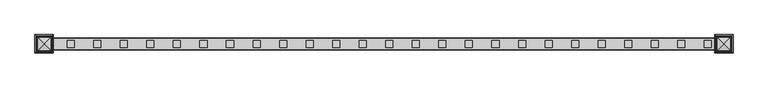
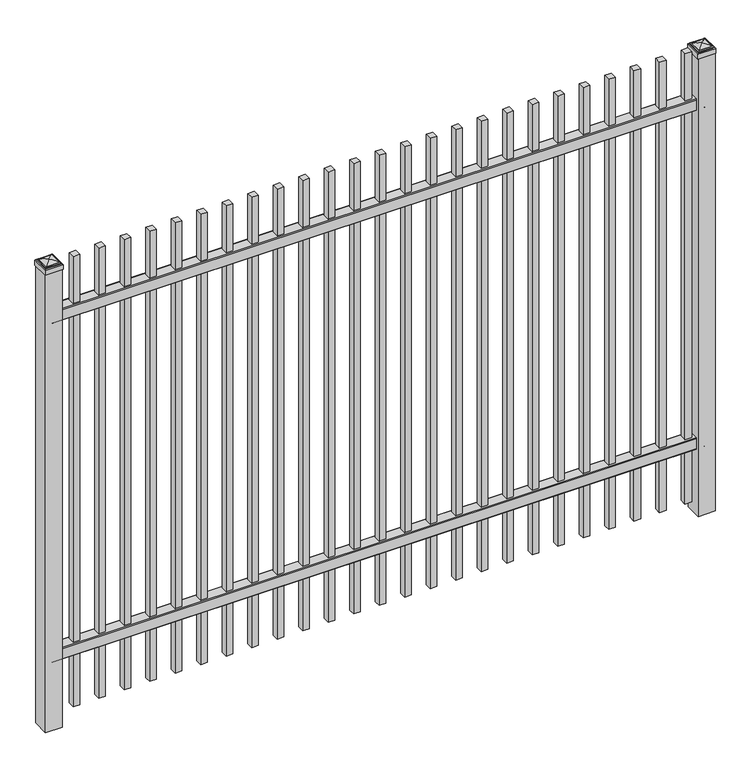
"""IFC4 building model written with IfcOpenShell, lengths in millimetres: railing geometry."""

import ifcopenshell
import ifcopenshell.guid

model = None  # the IFC model being written
_history = None  # IfcOwnerHistory: only IFC2X3 demands one
_inside = {}  # id of a spatial element -> (the spatial element, [elements in it])
_under = {}  # id of a project, library or spatial element -> (it, [spatial elements below it])
_declared = {}  # id of a project -> (the project, [libraries it declares])
_typed = {}  # id of a type object -> (the type object, [elements of that type])
_made_of = {}  # id of a material, layer set ... -> (it, [elements and type objects made of it])


def new_model(schema):
    """Start an empty IFC model of exactly this schema.

    Asked for "IFC4X3", IfcOpenShell would pick the latest addendum, in which some entities
    have other attributes; the version numbers below select the first issue.
    IFC2X3 requires an IfcOwnerHistory on every rooted entity: one is made here for all.
    """
    global model, _history
    if schema == "IFC4X3":
        model = ifcopenshell.file(schema_version=(4, 3, 0, 0))
    else:
        model = ifcopenshell.file(schema=schema)
    _inside.clear()
    _under.clear()
    _declared.clear()
    _typed.clear()
    _made_of.clear()
    _history = None
    if model.schema == "IFC2X3":
        org = make("IfcOrganization", Name="unknown")
        user = make(
            "IfcPersonAndOrganization",
            ThePerson=make("IfcPerson", FamilyName="unknown"),
            TheOrganization=org,
        )
        app = make(
            "IfcApplication",
            ApplicationDeveloper=org,
            Version="unknown",
            ApplicationFullName="unknown",
            ApplicationIdentifier="unknown",
        )
        _history = make(
            "IfcOwnerHistory",
            OwningUser=user,
            OwningApplication=app,
            ChangeAction="ADDED",
            CreationDate=0,
        )
    return model


def make(cls, **values):
    """One entity of the class cls with the attributes given. An attribute that is None is left unset."""
    return model.create_entity(
        cls, **{name: value for name, value in values.items() if value is not None}
    )


def rooted(cls, **values):
    """An entity with a GlobalId (a new one), such as an element, a storey or a relation."""
    return make(cls, GlobalId=ifcopenshell.guid.new(), OwnerHistory=_history, **values)


def si_unit(unit_type, name, prefix=None):
    """IfcSIUnit, for example si_unit("LENGTHUNIT", "METRE", prefix="MILLI")."""
    return make("IfcSIUnit", UnitType=unit_type, Prefix=prefix, Name=name)


def assignment(units):
    """IfcUnitAssignment: the units of a project."""
    return None if units is None else make("IfcUnitAssignment", Units=units)


def point(xyz):
    """IfcCartesianPoint."""
    return None if xyz is None else make("IfcCartesianPoint", Coordinates=xyz)


def direction(xyz):
    """IfcDirection."""
    return None if xyz is None else make("IfcDirection", DirectionRatios=xyz)


def frame(location, z_axis=None, x_axis=None):
    """IfcAxis2Placement3D, a coordinate frame: its origin and axes. An axis left out is left unset."""
    return make(
        "IfcAxis2Placement3D",
        Location=point(location),
        Axis=direction(z_axis),
        RefDirection=direction(x_axis),
    )


def frame_2d(location, x_axis=None):
    """IfcAxis2Placement2D, a coordinate frame in the plane: its origin and x axis."""
    return make(
        "IfcAxis2Placement2D", Location=point(location), RefDirection=direction(x_axis)
    )


def origin():
    """The frame at (0, 0, 0) with its axes left unset."""
    return frame((0.0, 0.0, 0.0))


def origin_with_axes():
    """The frame at (0, 0, 0) with the z axis (0, 0, 1) and the x axis (1, 0, 0) written out."""
    return frame((0.0, 0.0, 0.0), z_axis=(0.0, 0.0, 1.0), x_axis=(1.0, 0.0, 0.0))


def place(relative_to, where):
    """IfcLocalPlacement: puts the frame where relative to a parent placement (None: the world)."""
    return make(
        "IfcLocalPlacement", PlacementRelTo=relative_to, RelativePlacement=where
    )


def context(
    kind, dimensions, precision=None, world=None, true_north=None, identifier=None
):
    """IfcGeometricRepresentationContext, for example the 3D "Model" context."""
    return make(
        "IfcGeometricRepresentationContext",
        ContextIdentifier=identifier,
        ContextType=kind,
        CoordinateSpaceDimension=dimensions,
        Precision=precision,
        WorldCoordinateSystem=world,
        TrueNorth=true_north,
    )


def project(units=None, contexts=None):
    """IfcProject with its units and contexts."""
    return rooted(
        "IfcProject",
        Name="project",
        RepresentationContexts=contexts,
        UnitsInContext=assignment(units),
    )


def spatial(cls, under=None, at=None, **own):
    """A site, building, storey or space (cls), placed at a placement, below another one or the project."""
    s = rooted(cls, ObjectPlacement=at, **own)
    if under is not None:
        _under.setdefault(under.id(), (under, []))[1].append(s)
    return s


def polyline(points):
    """IfcPolyline through the points."""
    return make("IfcPolyline", Points=[point(p) for p in points])


def circle_curve(where, radius):
    """IfcCircle in the frame where."""
    return make("IfcCircle", Position=where, Radius=radius)


def ellipse_curve(where, semi_axis1, semi_axis2):
    """IfcEllipse in the frame where."""
    return make(
        "IfcEllipse", Position=where, SemiAxis1=semi_axis1, SemiAxis2=semi_axis2
    )


def trimmed(basis, trim1, trim2, sense, master):
    """IfcTrimmedCurve: the piece of a basis curve between two trims."""
    return make(
        "IfcTrimmedCurve",
        BasisCurve=basis,
        Trim1=trim1,
        Trim2=trim2,
        SenseAgreement=sense,
        MasterRepresentation=master,
    )


def segment(curve, same_sense, transition):
    """IfcCompositeCurveSegment."""
    return make(
        "IfcCompositeCurveSegment",
        Transition=transition,
        SameSense=same_sense,
        ParentCurve=curve,
    )


def composite_curve(segments, self_intersect=None):
    """IfcCompositeCurve: segments joined end to end."""
    return make("IfcCompositeCurve", Segments=segments, SelfIntersect=self_intersect)


def outline(outer, holes=None, kind="AREA"):
    """IfcArbitraryClosedProfileDef: a profile drawn as a closed curve; with holes, ...WithVoids."""
    if holes is None:
        return make("IfcArbitraryClosedProfileDef", ProfileType=kind, OuterCurve=outer)
    return make(
        "IfcArbitraryProfileDefWithVoids",
        ProfileType=kind,
        OuterCurve=outer,
        InnerCurves=holes,
    )


def extrude(swept, where, along, depth):
    """IfcExtrudedAreaSolid: the profile swept, set in the frame where, extruded along a direction by depth."""
    return make(
        "IfcExtrudedAreaSolid",
        SweptArea=swept,
        Position=where,
        ExtrudedDirection=direction(along),
        Depth=depth,
    )


def shape(context_of_items, identifier, shape_type, items):
    """IfcShapeRepresentation: the items that make up one representation, for example the "Body"."""
    return make(
        "IfcShapeRepresentation",
        ContextOfItems=context_of_items,
        RepresentationIdentifier=identifier,
        RepresentationType=shape_type,
        Items=items,
    )


def source(mapping_origin, context_of_items, identifier, shape_type, items):
    """IfcRepresentationMap: a shape defined once, which mapped items show again and again."""
    return make(
        "IfcRepresentationMap",
        MappingOrigin=mapping_origin,
        MappedRepresentation=shape(context_of_items, identifier, shape_type, items),
    )


def transform(
    local_origin,
    x_axis=None,
    y_axis=None,
    z_axis=None,
    scale=None,
    scale2=None,
    scale3=None,
    uniform=True,
):
    """IfcCartesianTransformationOperator3D, or its non-uniform kind. x_axis, y_axis, z_axis: its Axis1, 2, 3."""
    if uniform:
        return make(
            "IfcCartesianTransformationOperator3D",
            Axis1=direction(x_axis),
            Axis2=direction(y_axis),
            LocalOrigin=point(local_origin),
            Scale=scale,
            Axis3=direction(z_axis),
        )
    return make(
        "IfcCartesianTransformationOperator3DnonUniform",
        Axis1=direction(x_axis),
        Axis2=direction(y_axis),
        LocalOrigin=point(local_origin),
        Scale=scale,
        Axis3=direction(z_axis),
        Scale2=scale2,
        Scale3=scale3,
    )


def mapped(mapping_source, mapping_target):
    """IfcMappedItem: shows the shape of a source again, moved by a transform."""
    return make(
        "IfcMappedItem", MappingSource=mapping_source, MappingTarget=mapping_target
    )


def made_of(thing, what):
    """Note that an element or type object is made of a material, layer set ...; save() writes the relation."""
    if what is not None:
        _made_of.setdefault(what.id(), (what, []))[1].append(thing)
    return thing


def element(
    cls,
    number,
    at=None,
    inside=None,
    cuts=None,
    type_object=None,
    material=None,
    context=None,
    identifier="Body",
    shape_type=None,
    held_by="IfcProductDefinitionShape",
    body=None,
    shapes=None,
    **own,
):
    """One element of the class cls, such as IfcWall. Its Tag is "e" and its number.

    at: its placement. inside: the storey or other place that contains it. cuts: it is an
    opening in that element (IfcRelVoidsElement). A single representation is given by context,
    identifier, shape_type and body (its items); several are given by shapes. held_by: the class
    of the entity that holds the representations. save() writes the other relations.
    """
    e = rooted(cls, Tag="e%d" % number, ObjectPlacement=at, **own)
    if body is not None:
        shapes = [shape(context, identifier, shape_type, body)]
    if shapes is not None:
        e.Representation = make(held_by, Representations=shapes)
    if inside is not None:
        _inside.setdefault(inside.id(), (inside, []))[1].append(e)
    if cuts is not None:
        rooted(
            "IfcRelVoidsElement", RelatingBuildingElement=cuts, RelatedOpeningElement=e
        )
    if type_object is not None:
        _typed.setdefault(type_object.id(), (type_object, []))[1].append(e)
    return made_of(e, material)


def aggregate(whole, parts):
    """IfcRelAggregates: a whole, such as a stair, and the parts it consists of."""
    return rooted("IfcRelAggregates", RelatingObject=whole, RelatedObjects=parts)


def save(model, path):
    """Write the relations noted so far, then the file.

    IfcRelAggregates (storeys below a building ...), IfcRelContainedInSpatialStructure (elements
    in a storey), IfcRelDefinesByType, IfcRelAssociatesMaterial and IfcRelDeclares: one each for
    every whole, place, type object, material and project.
    """
    for whole, parts in _under.values():
        aggregate(whole, parts)
    for where, things in _inside.values():
        rooted(
            "IfcRelContainedInSpatialStructure",
            RelatedElements=things,
            RelatingStructure=where,
        )
    for kind, things in _typed.values():
        rooted("IfcRelDefinesByType", RelatedObjects=things, RelatingType=kind)
    for what, things in _made_of.values():
        rooted("IfcRelAssociatesMaterial", RelatedObjects=things, RelatingMaterial=what)
    for by, libraries in _declared.values():
        rooted("IfcRelDeclares", RelatingContext=by, RelatedDefinitions=libraries)
    model.write(path)


def plane_surface(at):
    """IfcPlane: the flat surface through the origin of the frame at, square to its z axis."""
    return make("IfcPlane", Position=at)


def cylinder_surface(at, radius):
    """IfcCylindricalSurface: all points at the distance radius from the z axis of the frame at."""
    return make("IfcCylindricalSurface", Position=at, Radius=radius)


def advanced_brep(points, edges, surfaces, faces):
    """IfcAdvancedBrep: a solid bounded by faces that lie on surfaces and meet in shared edges.

    An edge is (start, end): straight between two places in points (the first is 0);
    or (start, end, curve); or (start, end, curve, False) where it runs against its curve.
    A face is (place in surfaces, loops), or (place, loops, False) where it looks against
    its surface's normal. A loop lists edges by number (the first is 1), with a minus sign
    where the edge is run from its end to its start. The first loop is the outer one.
    """
    corners = [point(p) for p in points]
    vertices = [make("IfcVertexPoint", VertexGeometry=c) for c in corners]
    made = []
    for start, end, *more in edges:
        made.append(
            make(
                "IfcEdgeCurve",
                EdgeStart=vertices[start],
                EdgeEnd=vertices[end],
                EdgeGeometry=more[0] if more else make("IfcPolyline", Points=[corners[start], corners[end]]),
                SameSense=more[1] if len(more) > 1 else True,
            )
        )
    hull = []
    for where, loops, *sense in faces:
        bounds = []
        for j, loop in enumerate(loops):
            ring = [make("IfcOrientedEdge", EdgeElement=made[abs(k) - 1], Orientation=k > 0) for k in loop]
            bounds.append(
                make(
                    "IfcFaceOuterBound" if j == 0 else "IfcFaceBound",
                    Bound=make("IfcEdgeLoop", EdgeList=ring),
                    Orientation=True,
                )
            )
        hull.append(make("IfcAdvancedFace", Bounds=bounds, FaceSurface=surfaces[where], SameSense=sense[0] if sense else True))
    return make("IfcAdvancedBrep", Outer=make("IfcClosedShell", CfsFaces=hull))


def railing_3c9d7bd0(model_context):
    return source(origin(), model_context, "Body", "SolidModel", [
        extrude(outline(composite_curve([segment(polyline([(10349.9139761, 304.8), (10387.969541, 304.8)]), True, "CONTINUOUS"), segment(trimmed(circle_curve(frame_2d((10387.969541, 301.625)), 3.175), [point((10387.969541, 304.8))], [point((10391.144541, 301.625))], False, "CARTESIAN"), True, "CONTINUOUS"), segment(polyline([(10391.144541, 301.625), (10391.144541, 262.1439893)]), True, "CONTINUOUS"), segment(trimmed(circle_curve(frame_2d((10389.3505518, 262.1439893)), 1.7939893), [point((10391.144541, 262.1439893))], [point((10389.3505518, 260.35))], False, "CARTESIAN"), True, "CONTINUOUS"), segment(polyline([(10389.3505518, 260.35), (10386.7590713, 260.35)]), True, "CONTINUOUS"), segment(trimmed(circle_curve(frame_2d((10386.7590713, 262.1359375)), 1.7859375), [point((10386.7590713, 260.35))], [point((10384.9755813, 262.0424688))], False, "CARTESIAN"), True, "CONTINUOUS"), segment(polyline([(10384.9755813, 262.0424688), (10383.4025867, 292.0569942), (10354.4364954, 292.0569942), (10352.8635007, 262.0424688)]), True, "CONTINUOUS"), segment(trimmed(circle_curve(frame_2d((10351.0800108, 262.1359375)), 1.7859375), [point((10352.8635007, 262.0424688))], [point((10351.0800108, 260.35))], False, "CARTESIAN"), True, "CONTINUOUS"), segment(polyline([(10351.0800108, 260.35), (10348.4804785, 260.35)]), True, "CONTINUOUS"), segment(trimmed(circle_curve(frame_2d((10348.4804785, 262.1359375)), 1.7859375), [point((10348.4804785, 260.35))], [point((10346.694541, 262.1359375))], False, "CARTESIAN"), True, "CONTINUOUS"), segment(polyline([(10346.694541, 262.1359375), (10346.694541, 301.5805649)]), True, "CONTINUOUS"), segment(trimmed(circle_curve(frame_2d((10349.9139761, 301.5805649)), 3.2194351), [point((10346.694541, 301.5805649))], [point((10349.9139761, 304.8))], False, "CARTESIAN"), True, "CONTINUOUS")], self_intersect=False)), frame((2341.3350064, 0.0, 0.0), z_axis=(1.0, 0.0, 0.0), x_axis=(0.0, 1.0, 0.0)), (0.0, 0.0, 1.0), 2438.4),
        extrude(outline(composite_curve([segment(polyline([(10349.9139761, 1643.0625), (10387.969541, 1643.0625)]), True, "CONTINUOUS"), segment(trimmed(circle_curve(frame_2d((10387.969541, 1639.8875)), 3.175), [point((10387.969541, 1643.0625))], [point((10391.144541, 1639.8875))], False, "CARTESIAN"), True, "CONTINUOUS"), segment(polyline([(10391.144541, 1639.8875), (10391.144541, 1600.4064893)]), True, "CONTINUOUS"), segment(trimmed(circle_curve(frame_2d((10389.3505518, 1600.4064893)), 1.7939893), [point((10391.144541, 1600.4064893))], [point((10389.3505518, 1598.6125))], False, "CARTESIAN"), True, "CONTINUOUS"), segment(polyline([(10389.3505518, 1598.6125), (10386.7590713, 1598.6125)]), True, "CONTINUOUS"), segment(trimmed(circle_curve(frame_2d((10386.7590713, 1600.3984375)), 1.7859375), [point((10386.7590713, 1598.6125))], [point((10384.9755813, 1600.3049688))], False, "CARTESIAN"), True, "CONTINUOUS"), segment(polyline([(10384.9755813, 1600.3049688), (10383.4025867, 1630.3194942), (10354.4364954, 1630.3194942), (10352.8635007, 1600.3049688)]), True, "CONTINUOUS"), segment(trimmed(circle_curve(frame_2d((10351.0800108, 1600.3984375)), 1.7859375), [point((10352.8635007, 1600.3049688))], [point((10351.0800108, 1598.6125))], False, "CARTESIAN"), True, "CONTINUOUS"), segment(polyline([(10351.0800108, 1598.6125), (10348.4804785, 1598.6125)]), True, "CONTINUOUS"), segment(trimmed(circle_curve(frame_2d((10348.4804785, 1600.3984375)), 1.7859375), [point((10348.4804785, 1598.6125))], [point((10346.694541, 1600.3984375))], False, "CARTESIAN"), True, "CONTINUOUS"), segment(polyline([(10346.694541, 1600.3984375), (10346.694541, 1639.8430649)]), True, "CONTINUOUS"), segment(trimmed(circle_curve(frame_2d((10349.9139761, 1639.8430649)), 3.2194351), [point((10346.694541, 1639.8430649))], [point((10349.9139761, 1643.0625))], False, "CARTESIAN"), True, "CONTINUOUS")], self_intersect=False)), frame((2341.3350064, 0.0, 0.0), z_axis=(1.0, 0.0, 0.0), x_axis=(0.0, 1.0, 0.0)), (0.0, 0.0, 1.0), 2438.4),
        extrude(outline(polyline([(4709.8850064, 10381.619541), (4735.2850064, 10381.619541), (4735.2850064, 10356.219541), (4709.8850064, 10356.219541), (4709.8850064, 10381.619541)])), frame((0.0, 0.0, 50.8), z_axis=(0.0, 0.0, 1.0), x_axis=(1.0, 0.0, 0.0)), (0.0, 0.0, 1.0), 1778.0),
        extrude(outline(polyline([(4614.6350064, 10381.619541), (4640.0350064, 10381.619541), (4640.0350064, 10356.219541), (4614.6350064, 10356.219541), (4614.6350064, 10381.619541)])), frame((0.0, 0.0, 50.8), z_axis=(0.0, 0.0, 1.0), x_axis=(1.0, 0.0, 0.0)), (0.0, 0.0, 1.0), 1778.0),
        extrude(outline(polyline([(4519.3850064, 10381.619541), (4544.7850064, 10381.619541), (4544.7850064, 10356.219541), (4519.3850064, 10356.219541), (4519.3850064, 10381.619541)])), frame((0.0, 0.0, 50.8), z_axis=(0.0, 0.0, 1.0), x_axis=(1.0, 0.0, 0.0)), (0.0, 0.0, 1.0), 1778.0),
        extrude(outline(polyline([(4424.1350064, 10381.619541), (4449.5350064, 10381.619541), (4449.5350064, 10356.219541), (4424.1350064, 10356.219541), (4424.1350064, 10381.619541)])), frame((0.0, 0.0, 50.8), z_axis=(0.0, 0.0, 1.0), x_axis=(1.0, 0.0, 0.0)), (0.0, 0.0, 1.0), 1778.0),
        extrude(outline(polyline([(4328.8850064, 10381.619541), (4354.2850064, 10381.619541), (4354.2850064, 10356.219541), (4328.8850064, 10356.219541), (4328.8850064, 10381.619541)])), frame((0.0, 0.0, 50.8), z_axis=(0.0, 0.0, 1.0), x_axis=(1.0, 0.0, 0.0)), (0.0, 0.0, 1.0), 1778.0),
        extrude(outline(polyline([(4233.6350064, 10381.619541), (4259.0350064, 10381.619541), (4259.0350064, 10356.219541), (4233.6350064, 10356.219541), (4233.6350064, 10381.619541)])), frame((0.0, 0.0, 50.8), z_axis=(0.0, 0.0, 1.0), x_axis=(1.0, 0.0, 0.0)), (0.0, 0.0, 1.0), 1778.0),
        extrude(outline(polyline([(4138.3850064, 10381.619541), (4163.7850064, 10381.619541), (4163.7850064, 10356.219541), (4138.3850064, 10356.219541), (4138.3850064, 10381.619541)])), frame((0.0, 0.0, 50.8), z_axis=(0.0, 0.0, 1.0), x_axis=(1.0, 0.0, 0.0)), (0.0, 0.0, 1.0), 1778.0),
        extrude(outline(polyline([(4043.1350064, 10381.619541), (4068.5350064, 10381.619541), (4068.5350064, 10356.219541), (4043.1350064, 10356.219541), (4043.1350064, 10381.619541)])), frame((0.0, 0.0, 50.8), z_axis=(0.0, 0.0, 1.0), x_axis=(1.0, 0.0, 0.0)), (0.0, 0.0, 1.0), 1778.0),
        extrude(outline(polyline([(3947.8850064, 10381.619541), (3973.2850064, 10381.619541), (3973.2850064, 10356.219541), (3947.8850064, 10356.219541), (3947.8850064, 10381.619541)])), frame((0.0, 0.0, 50.8), z_axis=(0.0, 0.0, 1.0), x_axis=(1.0, 0.0, 0.0)), (0.0, 0.0, 1.0), 1778.0),
        extrude(outline(polyline([(3852.6350064, 10381.619541), (3878.0350064, 10381.619541), (3878.0350064, 10356.219541), (3852.6350064, 10356.219541), (3852.6350064, 10381.619541)])), frame((0.0, 0.0, 50.8), z_axis=(0.0, 0.0, 1.0), x_axis=(1.0, 0.0, 0.0)), (0.0, 0.0, 1.0), 1778.0),
        extrude(outline(polyline([(3757.3850064, 10381.619541), (3782.7850064, 10381.619541), (3782.7850064, 10356.219541), (3757.3850064, 10356.219541), (3757.3850064, 10381.619541)])), frame((0.0, 0.0, 50.8), z_axis=(0.0, 0.0, 1.0), x_axis=(1.0, 0.0, 0.0)), (0.0, 0.0, 1.0), 1778.0),
        extrude(outline(polyline([(3662.1350064, 10381.619541), (3687.5350064, 10381.619541), (3687.5350064, 10356.219541), (3662.1350064, 10356.219541), (3662.1350064, 10381.619541)])), frame((0.0, 0.0, 50.8), z_axis=(0.0, 0.0, 1.0), x_axis=(1.0, 0.0, 0.0)), (0.0, 0.0, 1.0), 1778.0),
        extrude(outline(polyline([(3566.8850064, 10381.619541), (3592.2850064, 10381.619541), (3592.2850064, 10356.219541), (3566.8850064, 10356.219541), (3566.8850064, 10381.619541)])), frame((0.0, 0.0, 50.8), z_axis=(0.0, 0.0, 1.0), x_axis=(1.0, 0.0, 0.0)), (0.0, 0.0, 1.0), 1778.0),
        extrude(outline(polyline([(3471.6350064, 10381.619541), (3497.0350064, 10381.619541), (3497.0350064, 10356.219541), (3471.6350064, 10356.219541), (3471.6350064, 10381.619541)])), frame((0.0, 0.0, 50.8), z_axis=(0.0, 0.0, 1.0), x_axis=(1.0, 0.0, 0.0)), (0.0, 0.0, 1.0), 1778.0),
        extrude(outline(polyline([(3376.3850064, 10381.619541), (3401.7850064, 10381.619541), (3401.7850064, 10356.219541), (3376.3850064, 10356.219541), (3376.3850064, 10381.619541)])), frame((0.0, 0.0, 50.8), z_axis=(0.0, 0.0, 1.0), x_axis=(1.0, 0.0, 0.0)), (0.0, 0.0, 1.0), 1778.0),
        extrude(outline(polyline([(3281.1350064, 10381.619541), (3306.5350064, 10381.619541), (3306.5350064, 10356.219541), (3281.1350064, 10356.219541), (3281.1350064, 10381.619541)])), frame((0.0, 0.0, 50.8), z_axis=(0.0, 0.0, 1.0), x_axis=(1.0, 0.0, 0.0)), (0.0, 0.0, 1.0), 1778.0),
        extrude(outline(polyline([(3185.8850064, 10381.619541), (3211.2850064, 10381.619541), (3211.2850064, 10356.219541), (3185.8850064, 10356.219541), (3185.8850064, 10381.619541)])), frame((0.0, 0.0, 50.8), z_axis=(0.0, 0.0, 1.0), x_axis=(1.0, 0.0, 0.0)), (0.0, 0.0, 1.0), 1778.0),
        extrude(outline(polyline([(3090.6350064, 10381.619541), (3116.0350064, 10381.619541), (3116.0350064, 10356.219541), (3090.6350064, 10356.219541), (3090.6350064, 10381.619541)])), frame((0.0, 0.0, 50.8), z_axis=(0.0, 0.0, 1.0), x_axis=(1.0, 0.0, 0.0)), (0.0, 0.0, 1.0), 1778.0),
        extrude(outline(polyline([(2995.3850064, 10381.619541), (3020.7850064, 10381.619541), (3020.7850064, 10356.219541), (2995.3850064, 10356.219541), (2995.3850064, 10381.619541)])), frame((0.0, 0.0, 50.8), z_axis=(0.0, 0.0, 1.0), x_axis=(1.0, 0.0, 0.0)), (0.0, 0.0, 1.0), 1778.0),
        extrude(outline(polyline([(2900.1350064, 10381.619541), (2925.5350064, 10381.619541), (2925.5350064, 10356.219541), (2900.1350064, 10356.219541), (2900.1350064, 10381.619541)])), frame((0.0, 0.0, 50.8), z_axis=(0.0, 0.0, 1.0), x_axis=(1.0, 0.0, 0.0)), (0.0, 0.0, 1.0), 1778.0),
        extrude(outline(polyline([(2804.8850064, 10381.619541), (2830.2850064, 10381.619541), (2830.2850064, 10356.219541), (2804.8850064, 10356.219541), (2804.8850064, 10381.619541)])), frame((0.0, 0.0, 50.8), z_axis=(0.0, 0.0, 1.0), x_axis=(1.0, 0.0, 0.0)), (0.0, 0.0, 1.0), 1778.0),
        extrude(outline(polyline([(2709.6350064, 10381.619541), (2735.0350064, 10381.619541), (2735.0350064, 10356.219541), (2709.6350064, 10356.219541), (2709.6350064, 10381.619541)])), frame((0.0, 0.0, 50.8), z_axis=(0.0, 0.0, 1.0), x_axis=(1.0, 0.0, 0.0)), (0.0, 0.0, 1.0), 1778.0),
        extrude(outline(polyline([(2614.3850064, 10381.619541), (2639.7850064, 10381.619541), (2639.7850064, 10356.219541), (2614.3850064, 10356.219541), (2614.3850064, 10381.619541)])), frame((0.0, 0.0, 50.8), z_axis=(0.0, 0.0, 1.0), x_axis=(1.0, 0.0, 0.0)), (0.0, 0.0, 1.0), 1778.0),
        extrude(outline(polyline([(2519.1350064, 10381.619541), (2544.5350064, 10381.619541), (2544.5350064, 10356.219541), (2519.1350064, 10356.219541), (2519.1350064, 10381.619541)])), frame((0.0, 0.0, 50.8), z_axis=(0.0, 0.0, 1.0), x_axis=(1.0, 0.0, 0.0)), (0.0, 0.0, 1.0), 1778.0),
        extrude(outline(polyline([(2423.8850064, 10381.619541), (2449.2850064, 10381.619541), (2449.2850064, 10356.219541), (2423.8850064, 10356.219541), (2423.8850064, 10381.619541)])), frame((0.0, 0.0, 50.8), z_axis=(0.0, 0.0, 1.0), x_axis=(1.0, 0.0, 0.0)), (0.0, 0.0, 1.0), 1778.0),
        extrude(outline(polyline([(4811.4850064, 10400.669541), (4811.4850064, 10337.169541), (4747.9850064, 10337.169541), (4747.9850064, 10400.669541), (4811.4850064, 10400.669541)])), origin_with_axes(), (0.0, 0.0, 1.0), 1808.1625),
        advanced_brep(
        [(4746.3975064, 10402.257041, 1826.41875), (4746.3975064, 10402.257041, 1808.1625), (4746.3975064, 10335.582041, 1808.1625), (4746.3975064, 10335.582041, 1826.41875), (4748.7787564, 10399.875791, 1828.8), (4748.7787564, 10337.963291, 1828.8), (4751.1600064, 10397.494541, 1831.18125), (4751.1600064, 10397.494541, 1828.8), (4751.1600064, 10340.344541, 1828.8), (4751.1600064, 10340.344541, 1831.18125), (4753.5412564, 10395.113291, 1833.5625), (4753.5412564, 10342.725791, 1833.5625), (4779.7350064, 10368.919541, 1839.9125), (4755.9225064, 10392.732041, 1833.5625), (4755.9225064, 10345.107041, 1833.5625), (4813.0725064, 10335.582041, 1808.1625), (4813.0725064, 10335.582041, 1826.41875), (4810.6912564, 10337.963291, 1828.8), (4808.3100064, 10340.344541, 1828.8), (4808.3100064, 10340.344541, 1831.18125), (4805.9287564, 10342.725791, 1833.5625), (4803.5475064, 10345.107041, 1833.5625), (4813.0725064, 10402.257041, 1808.1625), (4813.0725064, 10402.257041, 1826.41875), (4810.6912564, 10399.875791, 1828.8), (4808.3100064, 10397.494541, 1828.8), (4808.3100064, 10397.494541, 1831.18125), (4805.9287564, 10395.113291, 1833.5625), (4803.5475064, 10392.732041, 1833.5625)],
        [
            (0, 1),
            (1, 2),
            (2, 3),
            (3, 0),
            (4, 0, ellipse_curve(frame((4748.7787564, 10399.875791, 1826.41875), z_axis=(-0.70710678118655, -0.7071067811865449, 0.0), x_axis=(-0.7071067811865448, 0.7071067811865501, 0.0)), 3.367596, 2.38125)),
            (3, 5, ellipse_curve(frame((4748.7787564, 10337.963291, 1826.41875), z_axis=(-0.7071067811865449, 0.70710678118655, 0.0), x_axis=(0.7071067811865499, 0.707106781186545, 0.0)), 3.367596, 2.38125)),
            (5, 4),
            (6, 7),
            (7, 8),
            (8, 9),
            (9, 6),
            (10, 6, ellipse_curve(frame((4753.5412564, 10395.113291, 1831.18125), z_axis=(-0.70710678118655, -0.7071067811865449, 0.0), x_axis=(-0.7071067811865448, 0.7071067811865501, 0.0)), 3.367596, 2.38125)),
            (9, 11, ellipse_curve(frame((4753.5412564, 10342.725791, 1831.18125), z_axis=(-0.7071067811865449, 0.70710678118655, 0.0), x_axis=(0.7071067811865499, 0.707106781186545, 0.0)), 3.367596, 2.38125)),
            (11, 10),
            (12, 13, ellipse_curve(frame((4779.7350064, 10368.919541, 1792.0890625), z_axis=(-0.70710678118655, -0.7071067811865449, 0.0), x_axis=(-0.7071067811865448, 0.7071067811865501, 0.0)), 67.6325539, 47.8234375)),
            (13, 14),
            (14, 12, ellipse_curve(frame((4779.7350064, 10368.919541, 1792.0890625), z_axis=(-0.7071067811865449, 0.70710678118655, 0.0), x_axis=(0.7071067811865499, 0.707106781186545, 0.0)), 67.6325539, 47.8234375)),
            (2, 15),
            (15, 16),
            (16, 3),
            (16, 17, ellipse_curve(frame((4810.6912564, 10337.963291, 1826.41875), z_axis=(-0.70710678118655, -0.707106781186545, 0.0), x_axis=(-0.707106781186545, 0.70710678118655, 0.0)), 3.367596, 2.38125)),
            (17, 5),
            (8, 18),
            (18, 19),
            (19, 9),
            (19, 20, ellipse_curve(frame((4805.9287564, 10342.725791, 1831.18125), z_axis=(-0.70710678118655, -0.707106781186545, 0.0), x_axis=(-0.707106781186545, 0.70710678118655, 0.0)), 3.367596, 2.38125)),
            (20, 11),
            (14, 21),
            (21, 12, ellipse_curve(frame((4779.7350064, 10368.919541, 1792.0890625), z_axis=(-0.70710678118655, -0.707106781186545, 0.0), x_axis=(-0.707106781186545, 0.70710678118655, 0.0)), 67.6325539, 47.8234375)),
            (15, 22),
            (22, 23),
            (23, 16),
            (23, 24, ellipse_curve(frame((4810.6912564, 10399.875791, 1826.41875), z_axis=(0.707106781186545, -0.7071067811865499, 0.0), x_axis=(-0.7071067811865497, -0.7071067811865452, 0.0)), 3.367596, 2.38125)),
            (24, 17),
            (18, 25),
            (25, 26),
            (26, 19),
            (26, 27, ellipse_curve(frame((4805.9287564, 10395.113291, 1831.18125), z_axis=(0.707106781186545, -0.7071067811865499, 0.0), x_axis=(-0.7071067811865497, -0.7071067811865452, 0.0)), 3.367596, 2.38125)),
            (27, 20),
            (21, 28),
            (28, 12, ellipse_curve(frame((4779.7350064, 10368.919541, 1792.0890625), z_axis=(0.707106781186545, -0.7071067811865499, 0.0), x_axis=(-0.7071067811865497, -0.7071067811865452, 0.0)), 67.6325539, 47.8234375)),
            (22, 1),
            (0, 23),
            (4, 24),
            (7, 25),
            (6, 26),
            (10, 27),
            (13, 28),
        ],
        [
            plane_surface(frame((4746.3975064, 10402.257041, 1808.1625), z_axis=(-1.0, 0.0, 0.0), x_axis=(0.0, -1.0, 0.0))),
            cylinder_surface(frame((4748.7787564, 10400.669541, 1826.41875), z_axis=(0.0, 1.0, 0.0), x_axis=(1.0, 0.0, 0.0)), 2.38125),
            plane_surface(frame((4751.1600064, 10397.494541, 1828.8), z_axis=(-1.0, 0.0, 0.0), x_axis=(0.0, -1.0, 0.0))),
            cylinder_surface(frame((4753.5412564, 10400.669541, 1831.18125), z_axis=(0.0, 1.0, 0.0), x_axis=(1.0, 0.0, 0.0)), 2.38125),
            cylinder_surface(frame((4779.7350064, 10400.669541, 1792.0890625), z_axis=(0.0, 1.0, 0.0), x_axis=(1.0, 0.0, 0.0)), 47.8234375),
            plane_surface(frame((4746.3975064, 10335.582041, 1808.1625), z_axis=(0.0, -1.0, 0.0), x_axis=(1.0, 0.0, 0.0))),
            cylinder_surface(frame((4747.9850064, 10337.963291, 1826.41875), z_axis=(-1.0, 0.0, 0.0), x_axis=(0.0, 1.0, 0.0)), 2.38125),
            plane_surface(frame((4751.1600064, 10340.344541, 1828.8), z_axis=(0.0, -1.0, 0.0), x_axis=(1.0, 0.0, 0.0))),
            cylinder_surface(frame((4747.9850064, 10342.725791, 1831.18125), z_axis=(-1.0, 0.0, 0.0), x_axis=(0.0, 1.0, 0.0)), 2.38125),
            cylinder_surface(frame((4747.9850064, 10368.919541, 1792.0890625), z_axis=(-1.0, 0.0, 0.0), x_axis=(0.0, 1.0, 0.0)), 47.8234375),
            plane_surface(frame((4813.0725064, 10335.582041, 1808.1625), z_axis=(1.0, 0.0, 0.0), x_axis=(0.0, 1.0, 0.0))),
            cylinder_surface(frame((4810.6912564, 10337.169541, 1826.41875), z_axis=(0.0, -1.0, 0.0), x_axis=(-1.0, 0.0, 0.0)), 2.38125),
            plane_surface(frame((4808.3100064, 10340.344541, 1828.8), z_axis=(1.0, 0.0, 0.0), x_axis=(0.0, 1.0, 0.0))),
            cylinder_surface(frame((4805.9287564, 10337.169541, 1831.18125), z_axis=(0.0, -1.0, 0.0), x_axis=(-1.0, 0.0, 0.0)), 2.38125),
            cylinder_surface(frame((4779.7350064, 10337.169541, 1792.0890625), z_axis=(0.0, -1.0, 0.0), x_axis=(-1.0, 0.0, 0.0)), 47.8234375),
            plane_surface(frame((4813.0725064, 10402.257041, 1808.1625), z_axis=(0.0, 1.0, 0.0), x_axis=(-1.0, 0.0, 0.0))),
            cylinder_surface(frame((4811.4850064, 10399.875791, 1826.41875), z_axis=(1.0, 0.0, 0.0), x_axis=(0.0, -1.0, 0.0)), 2.38125),
            plane_surface(frame((4810.6912564, 10399.875791, 1828.8), z_axis=(0.0, 0.0, 1.0), x_axis=(-1.0, 0.0, 0.0))),
            plane_surface(frame((4808.3100064, 10397.494541, 1828.8), z_axis=(0.0, 1.0, 0.0), x_axis=(-1.0, 0.0, 0.0))),
            cylinder_surface(frame((4811.4850064, 10395.113291, 1831.18125), z_axis=(1.0, 0.0, 0.0), x_axis=(0.0, -1.0, 0.0)), 2.38125),
            plane_surface(frame((4805.9287564, 10395.113291, 1833.5625), z_axis=(0.0, 0.0, 1.0), x_axis=(-1.0, 0.0, 0.0))),
            cylinder_surface(frame((4811.4850064, 10368.919541, 1792.0890625), z_axis=(1.0, 0.0, 0.0), x_axis=(0.0, -1.0, 0.0)), 47.8234375),
            plane_surface(frame((4779.7350064, 10368.919541, 1808.1625), z_axis=(0.0, 0.0, -1.0), x_axis=(-1.0, 0.0, 0.0))),
        ],
        [
            (0, [[1, 2, 3, 4]]),
            (1, [[5, -4, 6, 7]]),
            (2, [[8, 9, 10, 11]]),
            (3, [[12, -11, 13, 14]]),
            (4, [[15, 16, 17]]),
            (5, [[-3, 18, 19, 20]]),
            (6, [[-6, -20, 21, 22]]),
            (7, [[-10, 23, 24, 25]]),
            (8, [[-13, -25, 26, 27]]),
            (9, [[-17, 28, 29]]),
            (10, [[-19, 30, 31, 32]]),
            (11, [[-21, -32, 33, 34]]),
            (12, [[-24, 35, 36, 37]]),
            (13, [[-26, -37, 38, 39]]),
            (14, [[-29, 40, 41]]),
            (15, [[-31, 42, -1, 43]]),
            (16, [[-33, -43, -5, 44]]),
            (17, [[-22, -34, -44, -7], [45, -35, -23, -9]]),
            (18, [[-36, -45, -8, 46]]),
            (19, [[-38, -46, -12, 47]]),
            (20, [[-27, -39, -47, -14], [48, -40, -28, -16]]),
            (21, [[-41, -48, -15]]),
            (22, [[-42, -30, -18, -2]]),
        ],
    ),
        extrude(outline(polyline([(2373.0850064, 10400.669541), (2373.0850064, 10337.169541), (2309.5850064, 10337.169541), (2309.5850064, 10400.669541), (2373.0850064, 10400.669541)])), origin_with_axes(), (0.0, 0.0, 1.0), 1808.1625),
        advanced_brep(
        [(2307.9975064, 10402.257041, 1826.41875), (2307.9975064, 10402.257041, 1808.1625), (2307.9975064, 10335.582041, 1808.1625), (2307.9975064, 10335.582041, 1826.41875), (2310.3787564, 10399.875791, 1828.8), (2310.3787564, 10337.963291, 1828.8), (2312.7600064, 10397.494541, 1831.18125), (2312.7600064, 10397.494541, 1828.8), (2312.7600064, 10340.344541, 1828.8), (2312.7600064, 10340.344541, 1831.18125), (2315.1412564, 10395.113291, 1833.5625), (2315.1412564, 10342.725791, 1833.5625), (2341.3350064, 10368.919541, 1839.9125), (2317.5225064, 10392.732041, 1833.5625), (2317.5225064, 10345.107041, 1833.5625), (2374.6725064, 10335.582041, 1808.1625), (2374.6725064, 10335.582041, 1826.41875), (2372.2912564, 10337.963291, 1828.8), (2369.9100064, 10340.344541, 1828.8), (2369.9100064, 10340.344541, 1831.18125), (2367.5287564, 10342.725791, 1833.5625), (2365.1475064, 10345.107041, 1833.5625), (2374.6725064, 10402.257041, 1808.1625), (2374.6725064, 10402.257041, 1826.41875), (2372.2912564, 10399.875791, 1828.8), (2369.9100064, 10397.494541, 1828.8), (2369.9100064, 10397.494541, 1831.18125), (2367.5287564, 10395.113291, 1833.5625), (2365.1475064, 10392.732041, 1833.5625)],
        [
            (0, 1),
            (1, 2),
            (2, 3),
            (3, 0),
            (4, 0, ellipse_curve(frame((2310.3787564, 10399.875791, 1826.41875), z_axis=(-0.70710678118655, -0.7071067811865449, 0.0), x_axis=(-0.7071067811865448, 0.7071067811865501, 0.0)), 3.367596, 2.38125)),
            (3, 5, ellipse_curve(frame((2310.3787564, 10337.963291, 1826.41875), z_axis=(-0.7071067811865449, 0.70710678118655, 0.0), x_axis=(0.7071067811865499, 0.707106781186545, 0.0)), 3.367596, 2.38125)),
            (5, 4),
            (6, 7),
            (7, 8),
            (8, 9),
            (9, 6),
            (10, 6, ellipse_curve(frame((2315.1412564, 10395.113291, 1831.18125), z_axis=(-0.70710678118655, -0.7071067811865449, 0.0), x_axis=(-0.7071067811865448, 0.7071067811865501, 0.0)), 3.367596, 2.38125)),
            (9, 11, ellipse_curve(frame((2315.1412564, 10342.725791, 1831.18125), z_axis=(-0.7071067811865449, 0.70710678118655, 0.0), x_axis=(0.7071067811865499, 0.707106781186545, 0.0)), 3.367596, 2.38125)),
            (11, 10),
            (12, 13, ellipse_curve(frame((2341.3350064, 10368.919541, 1792.0890625), z_axis=(-0.70710678118655, -0.7071067811865449, 0.0), x_axis=(-0.7071067811865448, 0.7071067811865501, 0.0)), 67.6325539, 47.8234375)),
            (13, 14),
            (14, 12, ellipse_curve(frame((2341.3350064, 10368.919541, 1792.0890625), z_axis=(-0.7071067811865449, 0.70710678118655, 0.0), x_axis=(0.7071067811865499, 0.707106781186545, 0.0)), 67.6325539, 47.8234375)),
            (2, 15),
            (15, 16),
            (16, 3),
            (16, 17, ellipse_curve(frame((2372.2912564, 10337.963291, 1826.41875), z_axis=(-0.70710678118655, -0.707106781186545, 0.0), x_axis=(-0.707106781186545, 0.70710678118655, 0.0)), 3.367596, 2.38125)),
            (17, 5),
            (8, 18),
            (18, 19),
            (19, 9),
            (19, 20, ellipse_curve(frame((2367.5287564, 10342.725791, 1831.18125), z_axis=(-0.70710678118655, -0.707106781186545, 0.0), x_axis=(-0.707106781186545, 0.70710678118655, 0.0)), 3.367596, 2.38125)),
            (20, 11),
            (14, 21),
            (21, 12, ellipse_curve(frame((2341.3350064, 10368.919541, 1792.0890625), z_axis=(-0.70710678118655, -0.707106781186545, 0.0), x_axis=(-0.707106781186545, 0.70710678118655, 0.0)), 67.6325539, 47.8234375)),
            (15, 22),
            (22, 23),
            (23, 16),
            (23, 24, ellipse_curve(frame((2372.2912564, 10399.875791, 1826.41875), z_axis=(0.707106781186545, -0.7071067811865499, 0.0), x_axis=(-0.7071067811865497, -0.7071067811865452, 0.0)), 3.367596, 2.38125)),
            (24, 17),
            (18, 25),
            (25, 26),
            (26, 19),
            (26, 27, ellipse_curve(frame((2367.5287564, 10395.113291, 1831.18125), z_axis=(0.707106781186545, -0.7071067811865499, 0.0), x_axis=(-0.7071067811865497, -0.7071067811865452, 0.0)), 3.367596, 2.38125)),
            (27, 20),
            (21, 28),
            (28, 12, ellipse_curve(frame((2341.3350064, 10368.919541, 1792.0890625), z_axis=(0.707106781186545, -0.7071067811865499, 0.0), x_axis=(-0.7071067811865497, -0.7071067811865452, 0.0)), 67.6325539, 47.8234375)),
            (22, 1),
            (0, 23),
            (4, 24),
            (7, 25),
            (6, 26),
            (10, 27),
            (13, 28),
        ],
        [
            plane_surface(frame((2307.9975064, 10402.257041, 1808.1625), z_axis=(-1.0, 0.0, 0.0), x_axis=(0.0, -1.0, 0.0))),
            cylinder_surface(frame((2310.3787564, 10400.669541, 1826.41875), z_axis=(0.0, 1.0, 0.0), x_axis=(1.0, 0.0, 0.0)), 2.38125),
            plane_surface(frame((2312.7600064, 10397.494541, 1828.8), z_axis=(-1.0, 0.0, 0.0), x_axis=(0.0, -1.0, 0.0))),
            cylinder_surface(frame((2315.1412564, 10400.669541, 1831.18125), z_axis=(0.0, 1.0, 0.0), x_axis=(1.0, 0.0, 0.0)), 2.38125),
            cylinder_surface(frame((2341.3350064, 10400.669541, 1792.0890625), z_axis=(0.0, 1.0, 0.0), x_axis=(1.0, 0.0, 0.0)), 47.8234375),
            plane_surface(frame((2307.9975064, 10335.582041, 1808.1625), z_axis=(0.0, -1.0, 0.0), x_axis=(1.0, 0.0, 0.0))),
            cylinder_surface(frame((2309.5850064, 10337.963291, 1826.41875), z_axis=(-1.0, 0.0, 0.0), x_axis=(0.0, 1.0, 0.0)), 2.38125),
            plane_surface(frame((2312.7600064, 10340.344541, 1828.8), z_axis=(0.0, -1.0, 0.0), x_axis=(1.0, 0.0, 0.0))),
            cylinder_surface(frame((2309.5850064, 10342.725791, 1831.18125), z_axis=(-1.0, 0.0, 0.0), x_axis=(0.0, 1.0, 0.0)), 2.38125),
            cylinder_surface(frame((2309.5850064, 10368.919541, 1792.0890625), z_axis=(-1.0, 0.0, 0.0), x_axis=(0.0, 1.0, 0.0)), 47.8234375),
            plane_surface(frame((2374.6725064, 10335.582041, 1808.1625), z_axis=(1.0, 0.0, 0.0), x_axis=(0.0, 1.0, 0.0))),
            cylinder_surface(frame((2372.2912564, 10337.169541, 1826.41875), z_axis=(0.0, -1.0, 0.0), x_axis=(-1.0, 0.0, 0.0)), 2.38125),
            plane_surface(frame((2369.9100064, 10340.344541, 1828.8), z_axis=(1.0, 0.0, 0.0), x_axis=(0.0, 1.0, 0.0))),
            cylinder_surface(frame((2367.5287564, 10337.169541, 1831.18125), z_axis=(0.0, -1.0, 0.0), x_axis=(-1.0, 0.0, 0.0)), 2.38125),
            cylinder_surface(frame((2341.3350064, 10337.169541, 1792.0890625), z_axis=(0.0, -1.0, 0.0), x_axis=(-1.0, 0.0, 0.0)), 47.8234375),
            plane_surface(frame((2374.6725064, 10402.257041, 1808.1625), z_axis=(0.0, 1.0, 0.0), x_axis=(-1.0, 0.0, 0.0))),
            cylinder_surface(frame((2373.0850064, 10399.875791, 1826.41875), z_axis=(1.0, 0.0, 0.0), x_axis=(0.0, -1.0, 0.0)), 2.38125),
            plane_surface(frame((2372.2912564, 10399.875791, 1828.8), z_axis=(0.0, 0.0, 1.0), x_axis=(-1.0, 0.0, 0.0))),
            plane_surface(frame((2369.9100064, 10397.494541, 1828.8), z_axis=(0.0, 1.0, 0.0), x_axis=(-1.0, 0.0, 0.0))),
            cylinder_surface(frame((2373.0850064, 10395.113291, 1831.18125), z_axis=(1.0, 0.0, 0.0), x_axis=(0.0, -1.0, 0.0)), 2.38125),
            plane_surface(frame((2367.5287564, 10395.113291, 1833.5625), z_axis=(0.0, 0.0, 1.0), x_axis=(-1.0, 0.0, 0.0))),
            cylinder_surface(frame((2373.0850064, 10368.919541, 1792.0890625), z_axis=(1.0, 0.0, 0.0), x_axis=(0.0, -1.0, 0.0)), 47.8234375),
            plane_surface(frame((2341.3350064, 10368.919541, 1808.1625), z_axis=(0.0, 0.0, -1.0), x_axis=(-1.0, 0.0, 0.0))),
        ],
        [
            (0, [[1, 2, 3, 4]]),
            (1, [[5, -4, 6, 7]]),
            (2, [[8, 9, 10, 11]]),
            (3, [[12, -11, 13, 14]]),
            (4, [[15, 16, 17]]),
            (5, [[-3, 18, 19, 20]]),
            (6, [[-6, -20, 21, 22]]),
            (7, [[-10, 23, 24, 25]]),
            (8, [[-13, -25, 26, 27]]),
            (9, [[-17, 28, 29]]),
            (10, [[-19, 30, 31, 32]]),
            (11, [[-21, -32, 33, 34]]),
            (12, [[-24, 35, 36, 37]]),
            (13, [[-26, -37, 38, 39]]),
            (14, [[-29, 40, 41]]),
            (15, [[-31, 42, -1, 43]]),
            (16, [[-33, -43, -5, 44]]),
            (17, [[-22, -34, -44, -7], [45, -35, -23, -9]]),
            (18, [[-36, -45, -8, 46]]),
            (19, [[-38, -46, -12, 47]]),
            (20, [[-27, -39, -47, -14], [48, -40, -28, -16]]),
            (21, [[-41, -48, -15]]),
            (22, [[-42, -30, -18, -2]]),
        ],
    ),
    ])


if __name__ == "__main__":
    model = new_model("IFC4")
    model_context = context("Model", 3, world=origin())
    ifc_project = project(units=[si_unit("LENGTHUNIT", "METRE", prefix="MILLI")], contexts=[model_context])
    site = spatial("IfcSite", under=ifc_project)
    building = spatial("IfcBuilding", under=site)
    placement = place(None, origin())
    railing_shape = railing_3c9d7bd0(model_context)
    element("IfcRailing", 1, at=placement, inside=building, context=model_context, shape_type="MappedRepresentation", body=[
        mapped(railing_shape, transform((0.0, 0.0, 0.0), x_axis=(1.0, 0.0, 0.0), y_axis=(0.0, 1.0, 0.0), z_axis=(0.0, 0.0, 1.0))),
    ])
    save(model, "model.ifc")
